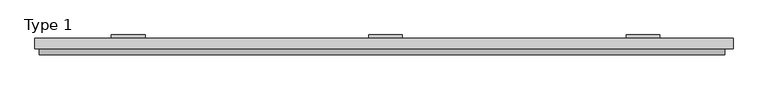
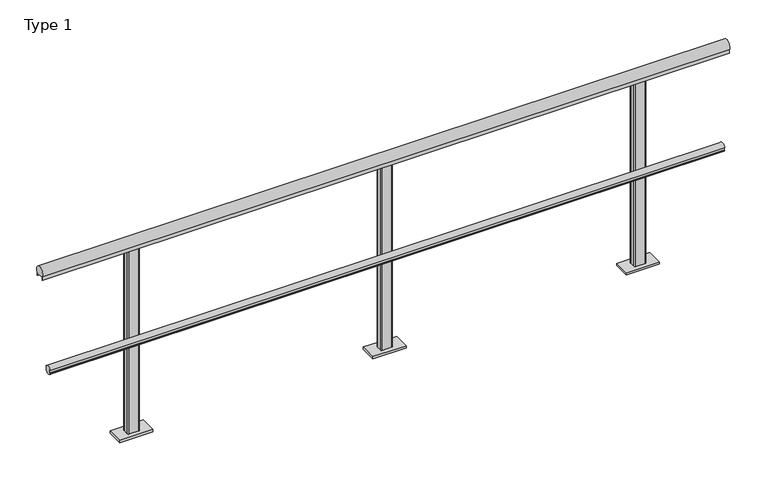
"""IFC4 building model written with IfcOpenShell, lengths in millimetres: railing geometry, Type 1."""

from ifc_helpers import new_model, si_unit, point, frame, frame_2d, origin, place, context, project, spatial, polyline, circle_curve, trimmed, segment, composite_curve, outline, extrude, source, transform, mapped, element, save
from ifc_brep_helpers import plane_surface, cylinder_surface, advanced_brep


def type_1_4658b50f(model_context):
    return source(origin(), model_context, "Body", "SolidModel", [
        extrude(outline(composite_curve([segment(polyline([(-13.3, 480.617273), (-9.3, 480.617273), (-9.3, 495.382727), (-13.3, 495.382727)]), True, "CONTINUOUS"), segment(trimmed(circle_curve(frame_2d((5.287505, 488.0)), 20.0), [point((-13.3, 495.382727))], [point((21.0, 500.3740657))], False, "CARTESIAN"), True, "CONTINUOUS"), segment(polyline([(21.0, 500.3740657), (21.0, 475.6259343)]), True, "CONTINUOUS"), segment(trimmed(circle_curve(frame_2d((5.287505, 488.0)), 20.0), [point((21.0, 475.6259343))], [point((-13.3, 480.617273))], False, "CARTESIAN"), True, "CONTINUOUS")], self_intersect=False)), frame((-394.0, 0.0, 0.0), z_axis=(1.0, 0.0, 0.0), x_axis=(0.0, 1.0, 0.0)), (0.0, 0.0, 1.0), 3254.0),
        extrude(outline(composite_curve([segment(polyline([(61.0, 961.43534), (61.0, 943.0), (60.0, 943.0), (60.0, 958.0), (20.0, 958.0), (20.0, 943.0), (19.0, 943.0), (19.0, 961.43534)]), True, "CONTINUOUS"), segment(trimmed(circle_curve(frame_2d((40.0, 975.0)), 25.0), [point((19.0, 961.43534))], [point((61.0, 961.43534))], False, "CARTESIAN"), True, "CONTINUOUS")], self_intersect=False)), frame((-415.0, 0.0, 0.0), z_axis=(1.0, 0.0, 0.0), x_axis=(0.0, 1.0, 0.0)), (0.0, 0.0, 1.0), 3315.0),
        advanced_brep(
        [(1227.0, 59.0, 958.0), (1222.0, 54.0, 958.0), (1222.0, 26.0, 958.0), (1227.0, 21.0, 958.0), (1273.0, 21.0, 958.0), (1278.0, 26.0, 958.0), (1278.0, 54.0, 958.0), (1273.0, 59.0, 958.0), (1170.0, 80.0, 0.0), (1330.0, 80.0, 0.0), (1330.0, 0.0, 0.0), (1170.0, 0.0, 0.0), (1273.0, 59.0, 11.0), (1227.0, 59.0, 11.0), (1278.0, 54.0, 11.0), (1278.0, 26.0, 11.0), (1273.0, 21.0, 11.0), (1227.0, 21.0, 11.0), (1222.0, 26.0, 11.0), (1222.0, 54.0, 11.0), (1170.0, 80.0, 11.0), (1170.0, 0.0, 11.0), (1330.0, 0.0, 11.0), (1330.0, 80.0, 11.0)],
        [
            (0, 1, circle_curve(frame((1227.0, 54.0, 958.0), z_axis=(0.0, 0.0, 1.0), x_axis=(-1.0, 0.0, 0.0)), 5.0)),
            (1, 2),
            (2, 3, circle_curve(frame((1227.0, 26.0, 958.0), z_axis=(0.0, 0.0, 1.0), x_axis=(-1.0, 0.0, 0.0)), 5.0)),
            (3, 4),
            (4, 5, circle_curve(frame((1273.0, 26.0, 958.0), z_axis=(0.0, 0.0, 1.0), x_axis=(-1.0, 0.0, 0.0)), 5.0)),
            (5, 6),
            (6, 7, circle_curve(frame((1273.0, 54.0, 958.0), z_axis=(0.0, 0.0, 1.0), x_axis=(-1.0, 0.0, 0.0)), 5.0)),
            (7, 0),
            (8, 9),
            (9, 10),
            (10, 11),
            (11, 8),
            (7, 12),
            (12, 13),
            (13, 0),
            (6, 14),
            (14, 12, circle_curve(frame((1273.0, 54.0, 11.0), z_axis=(0.0, 0.0, 1.0), x_axis=(-1.0, 0.0, 0.0)), 5.0)),
            (5, 15),
            (15, 14),
            (4, 16),
            (16, 15, circle_curve(frame((1273.0, 26.0, 11.0), z_axis=(0.0, 0.0, 1.0), x_axis=(-1.0, 0.0, 0.0)), 5.0)),
            (3, 17),
            (17, 16),
            (2, 18),
            (18, 17, circle_curve(frame((1227.0, 26.0, 11.0), z_axis=(0.0, 0.0, 1.0), x_axis=(-1.0, 0.0, 0.0)), 5.0)),
            (1, 19),
            (19, 18),
            (13, 19, circle_curve(frame((1227.0, 54.0, 11.0), z_axis=(0.0, 0.0, 1.0), x_axis=(-1.0, 0.0, 0.0)), 5.0)),
            (20, 21),
            (21, 22),
            (22, 23),
            (23, 20),
            (23, 9),
            (8, 20),
            (22, 10),
            (21, 11),
        ],
        [
            plane_surface(frame((1273.0, 59.0, 958.0), z_axis=(0.0, 0.0, 1.0), x_axis=(1.0, 0.0, 0.0))),
            plane_surface(frame((1273.0, 59.0, 0.0), z_axis=(0.0, 0.0, -1.0), x_axis=(-1.0, 0.0, 0.0))),
            plane_surface(frame((1227.0, 59.0, 958.0), z_axis=(0.0, 1.0, 0.0), x_axis=(0.0, 0.0, -1.0))),
            cylinder_surface(frame((1273.0, 54.0, 0.0), z_axis=(0.0, 0.0, 1.0), x_axis=(-1.0, 0.0, 0.0)), 5.0),
            plane_surface(frame((1278.0, 54.0, 958.0), z_axis=(1.0, 0.0, 0.0), x_axis=(0.0, 0.0, -1.0))),
            cylinder_surface(frame((1273.0, 26.0, 0.0), z_axis=(0.0, 0.0, 1.0), x_axis=(-1.0, 0.0, 0.0)), 5.0),
            plane_surface(frame((1273.0, 21.0, 958.0), z_axis=(0.0, -1.0, 0.0), x_axis=(0.0, 0.0, -1.0))),
            cylinder_surface(frame((1227.0, 26.0, 0.0), z_axis=(0.0, 0.0, 1.0), x_axis=(-1.0, 0.0, 0.0)), 5.0),
            plane_surface(frame((1222.0, 26.0, 958.0), z_axis=(-1.0, 0.0, 0.0), x_axis=(0.0, 0.0, -1.0))),
            cylinder_surface(frame((1227.0, 54.0, 0.0), z_axis=(0.0, 0.0, 1.0), x_axis=(-1.0, 0.0, 0.0)), 5.0),
            plane_surface(frame((1330.0, 80.0, 11.0), z_axis=(0.0, 0.0, 1.0), x_axis=(1.0, 0.0, 0.0))),
            plane_surface(frame((1170.0, 80.0, 11.0), z_axis=(0.0, 1.0, 0.0), x_axis=(0.0, 0.0, -1.0))),
            plane_surface(frame((1330.0, 80.0, 11.0), z_axis=(1.0, 0.0, 0.0), x_axis=(0.0, 0.0, -1.0))),
            plane_surface(frame((1330.0, 0.0, 11.0), z_axis=(0.0, -1.0, 0.0), x_axis=(0.0, 0.0, -1.0))),
            plane_surface(frame((1170.0, 0.0, 11.0), z_axis=(-1.0, 0.0, 0.0), x_axis=(0.0, 0.0, -1.0))),
        ],
        [
            (0, [[1, 2, 3, 4, 5, 6, 7, 8]]),
            (1, [[9, 10, 11, 12]]),
            (2, [[13, 14, 15, -8]]),
            (3, [[16, 17, -13, -7]]),
            (4, [[18, 19, -16, -6]]),
            (5, [[20, 21, -18, -5]]),
            (6, [[22, 23, -20, -4]]),
            (7, [[24, 25, -22, -3]]),
            (8, [[26, 27, -24, -2]]),
            (9, [[-15, 28, -26, -1]]),
            (10, [[29, 30, 31, 32], [-17, -19, -21, -23, -25, -27, -28, -14]]),
            (11, [[33, -9, 34, -32]]),
            (12, [[35, -10, -33, -31]]),
            (13, [[36, -11, -35, -30]]),
            (14, [[-34, -12, -36, -29]]),
        ],
    ),
        advanced_brep(
        [(2449.0, 59.0, 958.0), (2444.0, 54.0, 958.0), (2444.0, 26.0, 958.0), (2449.0, 21.0, 958.0), (2495.0, 21.0, 958.0), (2500.0, 26.0, 958.0), (2500.0, 54.0, 958.0), (2495.0, 59.0, 958.0), (2392.0, 80.0, 0.0), (2552.0, 80.0, 0.0), (2552.0, 0.0, 0.0), (2392.0, 0.0, 0.0), (2495.0, 59.0, 11.0), (2449.0, 59.0, 11.0), (2500.0, 54.0, 11.0), (2500.0, 26.0, 11.0), (2495.0, 21.0, 11.0), (2449.0, 21.0, 11.0), (2444.0, 26.0, 11.0), (2444.0, 54.0, 11.0), (2392.0, 80.0, 11.0), (2392.0, 0.0, 11.0), (2552.0, 0.0, 11.0), (2552.0, 80.0, 11.0)],
        [
            (0, 1, circle_curve(frame((2449.0, 54.0, 958.0), z_axis=(0.0, 0.0, 1.0), x_axis=(-1.0, 0.0, 0.0)), 5.0)),
            (1, 2),
            (2, 3, circle_curve(frame((2449.0, 26.0, 958.0), z_axis=(0.0, 0.0, 1.0), x_axis=(-1.0, 0.0, 0.0)), 5.0)),
            (3, 4),
            (4, 5, circle_curve(frame((2495.0, 26.0, 958.0), z_axis=(0.0, 0.0, 1.0), x_axis=(-1.0, 0.0, 0.0)), 5.0)),
            (5, 6),
            (6, 7, circle_curve(frame((2495.0, 54.0, 958.0), z_axis=(0.0, 0.0, 1.0), x_axis=(-1.0, 0.0, 0.0)), 5.0)),
            (7, 0),
            (8, 9),
            (9, 10),
            (10, 11),
            (11, 8),
            (7, 12),
            (12, 13),
            (13, 0),
            (6, 14),
            (14, 12, circle_curve(frame((2495.0, 54.0, 11.0), z_axis=(0.0, 0.0, 1.0), x_axis=(-1.0, 0.0, 0.0)), 5.0)),
            (5, 15),
            (15, 14),
            (4, 16),
            (16, 15, circle_curve(frame((2495.0, 26.0, 11.0), z_axis=(0.0, 0.0, 1.0), x_axis=(-1.0, 0.0, 0.0)), 5.0)),
            (3, 17),
            (17, 16),
            (2, 18),
            (18, 17, circle_curve(frame((2449.0, 26.0, 11.0), z_axis=(0.0, 0.0, 1.0), x_axis=(-1.0, 0.0, 0.0)), 5.0)),
            (1, 19),
            (19, 18),
            (13, 19, circle_curve(frame((2449.0, 54.0, 11.0), z_axis=(0.0, 0.0, 1.0), x_axis=(-1.0, 0.0, 0.0)), 5.0)),
            (20, 21),
            (21, 22),
            (22, 23),
            (23, 20),
            (23, 9),
            (8, 20),
            (22, 10),
            (21, 11),
        ],
        [
            plane_surface(frame((2495.0, 59.0, 958.0), z_axis=(0.0, 0.0, 1.0), x_axis=(1.0, 0.0, 0.0))),
            plane_surface(frame((2495.0, 59.0, 0.0), z_axis=(0.0, 0.0, -1.0), x_axis=(-1.0, 0.0, 0.0))),
            plane_surface(frame((2449.0, 59.0, 958.0), z_axis=(0.0, 1.0, 0.0), x_axis=(0.0, 0.0, -1.0))),
            cylinder_surface(frame((2495.0, 54.0, 0.0), z_axis=(0.0, 0.0, 1.0), x_axis=(-1.0, 0.0, 0.0)), 5.0),
            plane_surface(frame((2500.0, 54.0, 958.0), z_axis=(1.0, 0.0, 0.0), x_axis=(0.0, 0.0, -1.0))),
            cylinder_surface(frame((2495.0, 26.0, 0.0), z_axis=(0.0, 0.0, 1.0), x_axis=(-1.0, 0.0, 0.0)), 5.0),
            plane_surface(frame((2495.0, 21.0, 958.0), z_axis=(0.0, -1.0, 0.0), x_axis=(0.0, 0.0, -1.0))),
            cylinder_surface(frame((2449.0, 26.0, 0.0), z_axis=(0.0, 0.0, 1.0), x_axis=(-1.0, 0.0, 0.0)), 5.0),
            plane_surface(frame((2444.0, 26.0, 958.0), z_axis=(-1.0, 0.0, 0.0), x_axis=(0.0, 0.0, -1.0))),
            cylinder_surface(frame((2449.0, 54.0, 0.0), z_axis=(0.0, 0.0, 1.0), x_axis=(-1.0, 0.0, 0.0)), 5.0),
            plane_surface(frame((2552.0, 80.0, 11.0), z_axis=(0.0, 0.0, 1.0), x_axis=(1.0, 0.0, 0.0))),
            plane_surface(frame((2392.0, 80.0, 11.0), z_axis=(0.0, 1.0, 0.0), x_axis=(0.0, 0.0, -1.0))),
            plane_surface(frame((2552.0, 80.0, 11.0), z_axis=(1.0, 0.0, 0.0), x_axis=(0.0, 0.0, -1.0))),
            plane_surface(frame((2552.0, 0.0, 11.0), z_axis=(0.0, -1.0, 0.0), x_axis=(0.0, 0.0, -1.0))),
            plane_surface(frame((2392.0, 0.0, 11.0), z_axis=(-1.0, 0.0, 0.0), x_axis=(0.0, 0.0, -1.0))),
        ],
        [
            (0, [[1, 2, 3, 4, 5, 6, 7, 8]]),
            (1, [[9, 10, 11, 12]]),
            (2, [[13, 14, 15, -8]]),
            (3, [[16, 17, -13, -7]]),
            (4, [[18, 19, -16, -6]]),
            (5, [[20, 21, -18, -5]]),
            (6, [[22, 23, -20, -4]]),
            (7, [[24, 25, -22, -3]]),
            (8, [[26, 27, -24, -2]]),
            (9, [[-15, 28, -26, -1]]),
            (10, [[29, 30, 31, 32], [-17, -19, -21, -23, -25, -27, -28, -14]]),
            (11, [[33, -9, 34, -32]]),
            (12, [[35, -10, -33, -31]]),
            (13, [[36, -11, -35, -30]]),
            (14, [[-34, -12, -36, -29]]),
        ],
    ),
        advanced_brep(
        [(5.0, 59.0, 958.0), (0.0, 54.0, 958.0), (0.0, 26.0, 958.0), (5.0, 21.0, 958.0), (51.0, 21.0, 958.0), (56.0, 26.0, 958.0), (56.0, 54.0, 958.0), (51.0, 59.0, 958.0), (-52.0, 80.0, 0.0), (108.0, 80.0, 0.0), (108.0, 0.0, 0.0), (-52.0, 0.0, 0.0), (51.0, 59.0, 11.0), (5.0, 59.0, 11.0), (56.0, 54.0, 11.0), (56.0, 26.0, 11.0), (51.0, 21.0, 11.0), (5.0, 21.0, 11.0), (0.0, 26.0, 11.0), (0.0, 54.0, 11.0), (-52.0, 80.0, 11.0), (-52.0, 0.0, 11.0), (108.0, 0.0, 11.0), (108.0, 80.0, 11.0)],
        [
            (0, 1, circle_curve(frame((5.0, 54.0, 958.0), z_axis=(0.0, 0.0, 1.0), x_axis=(-1.0, 0.0, 0.0)), 5.0)),
            (1, 2),
            (2, 3, circle_curve(frame((5.0, 26.0, 958.0), z_axis=(0.0, 0.0, 1.0), x_axis=(-1.0, 0.0, 0.0)), 5.0)),
            (3, 4),
            (4, 5, circle_curve(frame((51.0, 26.0, 958.0), z_axis=(0.0, 0.0, 1.0), x_axis=(-1.0, 0.0, 0.0)), 5.0)),
            (5, 6),
            (6, 7, circle_curve(frame((51.0, 54.0, 958.0), z_axis=(0.0, 0.0, 1.0), x_axis=(-1.0, 0.0, 0.0)), 5.0)),
            (7, 0),
            (8, 9),
            (9, 10),
            (10, 11),
            (11, 8),
            (7, 12),
            (12, 13),
            (13, 0),
            (6, 14),
            (14, 12, circle_curve(frame((51.0, 54.0, 11.0), z_axis=(0.0, 0.0, 1.0), x_axis=(-1.0, 0.0, 0.0)), 5.0)),
            (5, 15),
            (15, 14),
            (4, 16),
            (16, 15, circle_curve(frame((51.0, 26.0, 11.0), z_axis=(0.0, 0.0, 1.0), x_axis=(-1.0, 0.0, 0.0)), 5.0)),
            (3, 17),
            (17, 16),
            (2, 18),
            (18, 17, circle_curve(frame((5.0, 26.0, 11.0), z_axis=(0.0, 0.0, 1.0), x_axis=(-1.0, 0.0, 0.0)), 5.0)),
            (1, 19),
            (19, 18),
            (13, 19, circle_curve(frame((5.0, 54.0, 11.0), z_axis=(0.0, 0.0, 1.0), x_axis=(-1.0, 0.0, 0.0)), 5.0)),
            (20, 21),
            (21, 22),
            (22, 23),
            (23, 20),
            (23, 9),
            (8, 20),
            (22, 10),
            (21, 11),
        ],
        [
            plane_surface(frame((51.0, 59.0, 958.0), z_axis=(0.0, 0.0, 1.0), x_axis=(1.0, 0.0, 0.0))),
            plane_surface(frame((51.0, 59.0, 0.0), z_axis=(0.0, 0.0, -1.0), x_axis=(-1.0, 0.0, 0.0))),
            plane_surface(frame((5.0, 59.0, 958.0), z_axis=(0.0, 1.0, 0.0), x_axis=(0.0, 0.0, -1.0))),
            cylinder_surface(frame((51.0, 54.0, 0.0), z_axis=(0.0, 0.0, 1.0), x_axis=(-1.0, 0.0, 0.0)), 5.0),
            plane_surface(frame((56.0, 54.0, 958.0), z_axis=(1.0, 0.0, 0.0), x_axis=(0.0, 0.0, -1.0))),
            cylinder_surface(frame((51.0, 26.0, 0.0), z_axis=(0.0, 0.0, 1.0), x_axis=(-1.0, 0.0, 0.0)), 5.0),
            plane_surface(frame((51.0, 21.0, 958.0), z_axis=(0.0, -1.0, 0.0), x_axis=(0.0, 0.0, -1.0))),
            cylinder_surface(frame((5.0, 26.0, 0.0), z_axis=(0.0, 0.0, 1.0), x_axis=(-1.0, 0.0, 0.0)), 5.0),
            plane_surface(frame((0.0, 26.0, 958.0), z_axis=(-1.0, 0.0, 0.0), x_axis=(0.0, 0.0, -1.0))),
            cylinder_surface(frame((5.0, 54.0, 0.0), z_axis=(0.0, 0.0, 1.0), x_axis=(-1.0, 0.0, 0.0)), 5.0),
            plane_surface(frame((108.0, 80.0, 11.0), z_axis=(0.0, 0.0, 1.0), x_axis=(1.0, 0.0, 0.0))),
            plane_surface(frame((-52.0, 80.0, 11.0), z_axis=(0.0, 1.0, 0.0), x_axis=(0.0, 0.0, -1.0))),
            plane_surface(frame((108.0, 80.0, 11.0), z_axis=(1.0, 0.0, 0.0), x_axis=(0.0, 0.0, -1.0))),
            plane_surface(frame((108.0, 0.0, 11.0), z_axis=(0.0, -1.0, 0.0), x_axis=(0.0, 0.0, -1.0))),
            plane_surface(frame((-52.0, 0.0, 11.0), z_axis=(-1.0, 0.0, 0.0), x_axis=(0.0, 0.0, -1.0))),
        ],
        [
            (0, [[1, 2, 3, 4, 5, 6, 7, 8]]),
            (1, [[9, 10, 11, 12]]),
            (2, [[13, 14, 15, -8]]),
            (3, [[16, 17, -13, -7]]),
            (4, [[18, 19, -16, -6]]),
            (5, [[20, 21, -18, -5]]),
            (6, [[22, 23, -20, -4]]),
            (7, [[24, 25, -22, -3]]),
            (8, [[26, 27, -24, -2]]),
            (9, [[-15, 28, -26, -1]]),
            (10, [[29, 30, 31, 32], [-17, -19, -21, -23, -25, -27, -28, -14]]),
            (11, [[33, -9, 34, -32]]),
            (12, [[35, -10, -33, -31]]),
            (13, [[36, -11, -35, -30]]),
            (14, [[-34, -12, -36, -29]]),
        ],
    ),
    ])


if __name__ == "__main__":
    model = new_model("IFC4")
    model_context = context("Model", 3, world=origin())
    ifc_project = project(units=[si_unit("LENGTHUNIT", "METRE", prefix="MILLI")], contexts=[model_context])
    site = spatial("IfcSite", under=ifc_project)
    building = spatial("IfcBuilding", under=site)
    placement = place(None, origin())
    type_1_shape = type_1_4658b50f(model_context)
    element("IfcRailing", 1, ObjectType="Type 1", at=placement, inside=building, context=model_context, shape_type="MappedRepresentation", body=[
        mapped(type_1_shape, transform((0.0, 0.0, 0.0), x_axis=(1.0, 0.0, 0.0), y_axis=(0.0, 1.0, 0.0), z_axis=(0.0, 0.0, 1.0))),
    ])
    save(model, "model.ifc")
